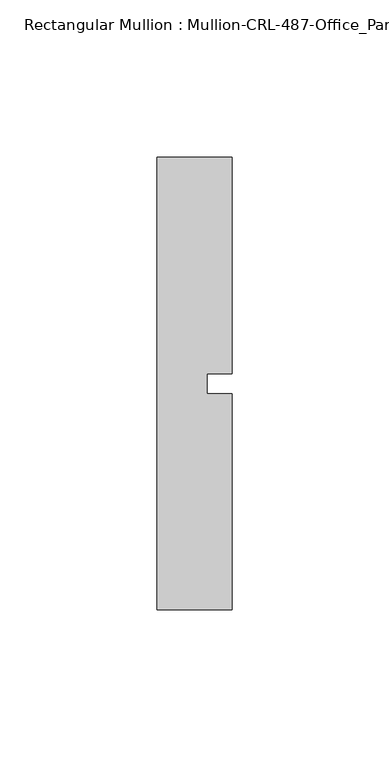
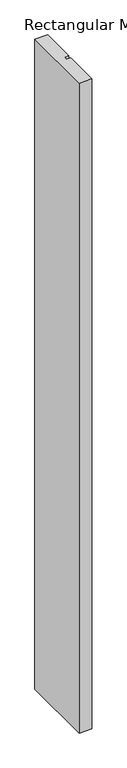
"""IFC4 building model written with IfcOpenShell, lengths in millimetres: member geometry, Rectangular Mullion : Mullion-CRL-487-Office_Partition-Right_Jamb."""

from ifc_helpers import new_model, si_unit, frame, origin, place, context, project, spatial, polyline, outline, extrude, source, transform, mapped, element, save


def rectangular_mullion_mullion_crl_487_office_partition_right_dba4741e(model_context):
    return source(origin(), model_context, "Body", "SweptSolid", [
        extrude(outline(polyline([(0.0, -71.9452143), (-23.7998, -71.9452143), (-23.7998, 71.9452142), (0.0, 71.9452142), (0.0, 3.175), (-7.9375, 3.175), (-7.9375, -3.175), (0.0, -3.175), (0.0, -71.9452143)])), frame((0.0, 0.0, -1289.05), z_axis=(0.0, 0.0, 1.0), x_axis=(1.0, 0.0, 0.0)), (0.0, 0.0, 1.0), 1289.05),
    ])


if __name__ == "__main__":
    model = new_model("IFC4")
    model_context = context("Model", 3, world=origin())
    ifc_project = project(units=[si_unit("LENGTHUNIT", "METRE", prefix="MILLI")], contexts=[model_context])
    site = spatial("IfcSite", under=ifc_project)
    building = spatial("IfcBuilding", under=site)
    placement = place(None, origin())
    rectangular_mullion_mullion_crl_487_office_partition_right_shape = rectangular_mullion_mullion_crl_487_office_partition_right_dba4741e(model_context)
    element("IfcMember", 1, ObjectType="Rectangular Mullion : Mullion-CRL-487-Office_Partition-Right_Jamb", at=placement, inside=building, context=model_context, shape_type="MappedRepresentation", body=[
        mapped(rectangular_mullion_mullion_crl_487_office_partition_right_shape, transform((0.0, 0.0, 0.0), x_axis=(1.0, 0.0, 0.0), y_axis=(0.0, 1.0, 0.0), z_axis=(0.0, 0.0, 1.0))),
    ])
    save(model, "model.ifc")
